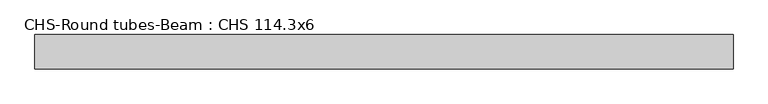
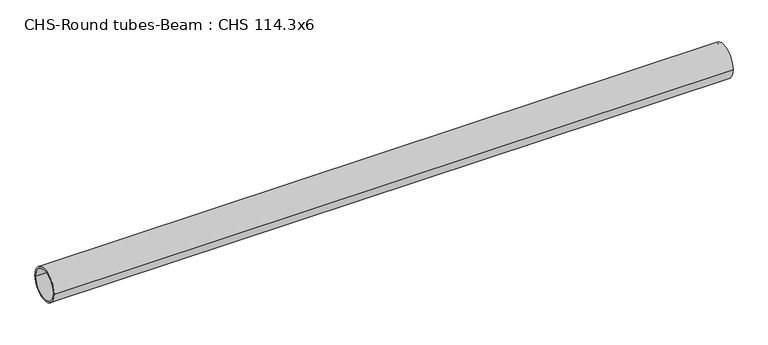
"""IFC4 building model written with IfcOpenShell, lengths in millimetres: beam geometry, CHS-Round tubes-Beam : CHS 114.3x6."""

from ifc_helpers import new_model, si_unit, point, frame, origin, origin_2d, place, context, project, spatial, circle_curve, trimmed, segment, composite_curve, outline, extrude, source, transform, mapped, element, save


def chs_round_tubes_beam_chs_114_3x6_da206fad(model_context):
    return source(origin(), model_context, "Body", "SweptSolid", [
        extrude(outline(composite_curve([segment(trimmed(circle_curve(origin_2d(), 57.15), [point((57.15, 0.0))], [point((-57.15, 0.0))], False, "CARTESIAN"), True, "CONTINUOUS"), segment(trimmed(circle_curve(origin_2d(), 57.15), [point((-57.15, 0.0))], [point((57.15, 0.0))], False, "CARTESIAN"), True, "CONTINUOUS")], self_intersect=False), holes=[composite_curve([segment(trimmed(circle_curve(origin_2d(), 51.15), [point((51.15, 0.0))], [point((-51.15, 0.0))], True, "CARTESIAN"), True, "CONTINUOUS"), segment(trimmed(circle_curve(origin_2d(), 51.15), [point((-51.15, 0.0))], [point((51.15, 0.0))], True, "CARTESIAN"), True, "CONTINUOUS")], self_intersect=False)]), frame((-1118.0357941, 0.0, 0.0), z_axis=(1.0, 0.0, 0.0), x_axis=(0.0, 1.0, 0.0)), (0.0, 0.0, 1.0), 2328.6778809),
    ])


if __name__ == "__main__":
    model = new_model("IFC4")
    model_context = context("Model", 3, world=origin())
    ifc_project = project(units=[si_unit("LENGTHUNIT", "METRE", prefix="MILLI")], contexts=[model_context])
    site = spatial("IfcSite", under=ifc_project)
    building = spatial("IfcBuilding", under=site)
    placement = place(None, origin())
    chs_round_tubes_beam_chs_114_3x6_shape = chs_round_tubes_beam_chs_114_3x6_da206fad(model_context)
    element("IfcBeam", 1, ObjectType="CHS-Round tubes-Beam : CHS 114.3x6", at=placement, inside=building, context=model_context, shape_type="MappedRepresentation", body=[
        mapped(chs_round_tubes_beam_chs_114_3x6_shape, transform((0.0, 0.0, 0.0), x_axis=(1.0, 0.0, 0.0), y_axis=(0.0, 1.0, 0.0), z_axis=(0.0, 0.0, 1.0))),
    ])
    save(model, "model.ifc")
